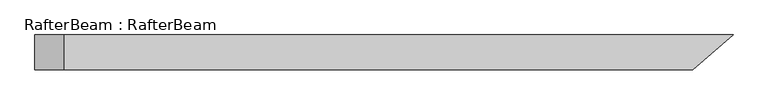
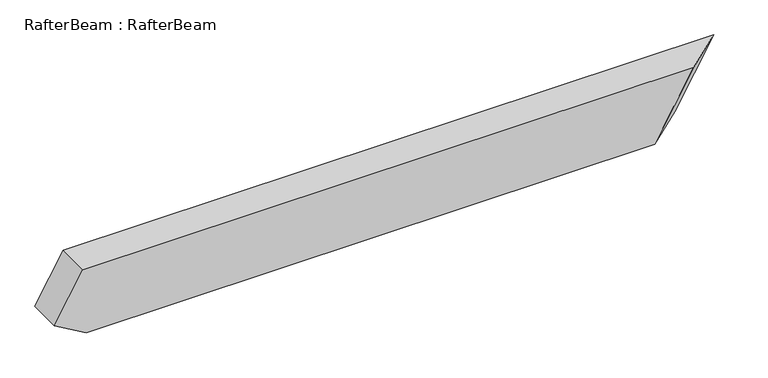
"""IFC4 building model written with IfcOpenShell, lengths in millimetres: beam geometry, RafterBeam : RafterBeam."""

from ifc_helpers import new_model, si_unit, origin, place, context, project, spatial, faceted_brep, source, transform, mapped, element, save


def rafterbeam_rafterbeam_b730dd7a(model_context):
    return source(origin(), model_context, "Body", "Brep", [
        faceted_brep([(666.7007518, -40.0, 80.0), (759.9309304, 40.0, 80.0), (-778.6355676, 40.0, 80.0), (-778.6355676, -40.0, 80.0), (667.5548873, 40.0, -80.0), (574.3247087, -40.0, -80.0), (-771.0116107, -40.0, -80.0), (-771.0116107, 40.0, -80.0), (-846.0116107, 40.0, -36.6987298), (-846.0116107, -40.0, -36.6987298)], [[[0, 1, 2, 3]], [[4, 5, 6, 7]], [[1, 4, 7, 8, 2]], [[5, 0, 3, 9, 6]], [[0, 5, 4, 1]], [[3, 2, 8, 9]], [[7, 6, 9, 8]]]),
    ])


if __name__ == "__main__":
    model = new_model("IFC4")
    model_context = context("Model", 3, world=origin())
    ifc_project = project(units=[si_unit("LENGTHUNIT", "METRE", prefix="MILLI")], contexts=[model_context])
    site = spatial("IfcSite", under=ifc_project)
    building = spatial("IfcBuilding", under=site)
    placement = place(None, origin())
    rafterbeam_rafterbeam_shape = rafterbeam_rafterbeam_b730dd7a(model_context)
    element("IfcBeam", 1, ObjectType="RafterBeam : RafterBeam", at=placement, inside=building, context=model_context, shape_type="MappedRepresentation", body=[
        mapped(rafterbeam_rafterbeam_shape, transform((0.0, 0.0, 0.0), x_axis=(1.0, 0.0, 0.0), y_axis=(0.0, 1.0, 0.0), z_axis=(0.0, 0.0, 1.0))),
    ])
    save(model, "model.ifc")
